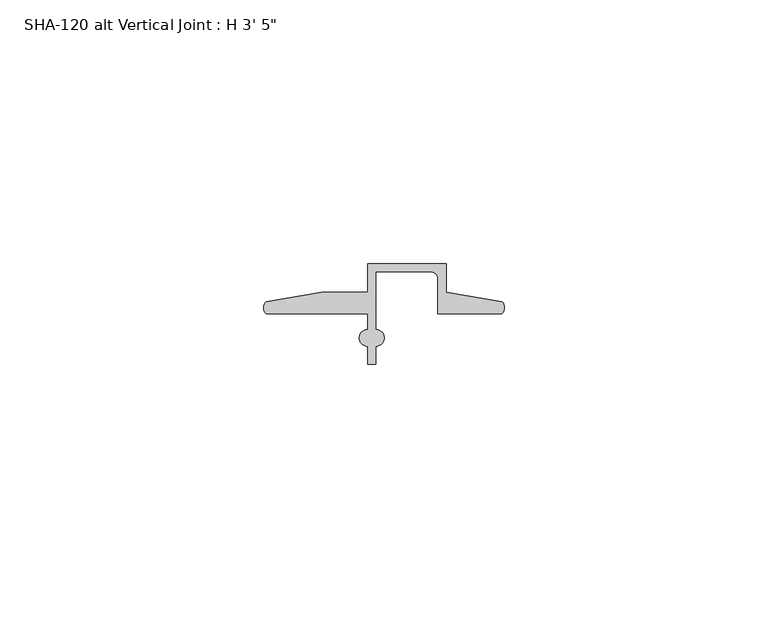
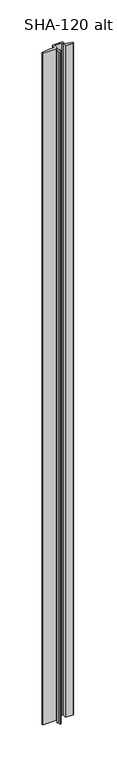
"""IFC4 building model written with IfcOpenShell, lengths in millimetres: proxy geometry."""

import ifcopenshell
import ifcopenshell.guid

model = None  # the IFC model being written
_history = None  # IfcOwnerHistory: only IFC2X3 demands one
_inside = {}  # id of a spatial element -> (the spatial element, [elements in it])
_under = {}  # id of a project, library or spatial element -> (it, [spatial elements below it])
_declared = {}  # id of a project -> (the project, [libraries it declares])
_typed = {}  # id of a type object -> (the type object, [elements of that type])
_made_of = {}  # id of a material, layer set ... -> (it, [elements and type objects made of it])


def new_model(schema):
    """Start an empty IFC model of exactly this schema.

    Asked for "IFC4X3", IfcOpenShell would pick the latest addendum, in which some entities
    have other attributes; the version numbers below select the first issue.
    IFC2X3 requires an IfcOwnerHistory on every rooted entity: one is made here for all.
    """
    global model, _history
    if schema == "IFC4X3":
        model = ifcopenshell.file(schema_version=(4, 3, 0, 0))
    else:
        model = ifcopenshell.file(schema=schema)
    _inside.clear()
    _under.clear()
    _declared.clear()
    _typed.clear()
    _made_of.clear()
    _history = None
    if model.schema == "IFC2X3":
        org = make("IfcOrganization", Name="unknown")
        user = make(
            "IfcPersonAndOrganization",
            ThePerson=make("IfcPerson", FamilyName="unknown"),
            TheOrganization=org,
        )
        app = make(
            "IfcApplication",
            ApplicationDeveloper=org,
            Version="unknown",
            ApplicationFullName="unknown",
            ApplicationIdentifier="unknown",
        )
        _history = make(
            "IfcOwnerHistory",
            OwningUser=user,
            OwningApplication=app,
            ChangeAction="ADDED",
            CreationDate=0,
        )
    return model


def make(cls, **values):
    """One entity of the class cls with the attributes given. An attribute that is None is left unset."""
    return model.create_entity(
        cls, **{name: value for name, value in values.items() if value is not None}
    )


def rooted(cls, **values):
    """An entity with a GlobalId (a new one), such as an element, a storey or a relation."""
    return make(cls, GlobalId=ifcopenshell.guid.new(), OwnerHistory=_history, **values)


def si_unit(unit_type, name, prefix=None):
    """IfcSIUnit, for example si_unit("LENGTHUNIT", "METRE", prefix="MILLI")."""
    return make("IfcSIUnit", UnitType=unit_type, Prefix=prefix, Name=name)


def assignment(units):
    """IfcUnitAssignment: the units of a project."""
    return None if units is None else make("IfcUnitAssignment", Units=units)


def point(xyz):
    """IfcCartesianPoint."""
    return None if xyz is None else make("IfcCartesianPoint", Coordinates=xyz)


def direction(xyz):
    """IfcDirection."""
    return None if xyz is None else make("IfcDirection", DirectionRatios=xyz)


def frame(location, z_axis=None, x_axis=None):
    """IfcAxis2Placement3D, a coordinate frame: its origin and axes. An axis left out is left unset."""
    return make(
        "IfcAxis2Placement3D",
        Location=point(location),
        Axis=direction(z_axis),
        RefDirection=direction(x_axis),
    )


def frame_2d(location, x_axis=None):
    """IfcAxis2Placement2D, a coordinate frame in the plane: its origin and x axis."""
    return make(
        "IfcAxis2Placement2D", Location=point(location), RefDirection=direction(x_axis)
    )


def origin():
    """The frame at (0, 0, 0) with its axes left unset."""
    return frame((0.0, 0.0, 0.0))


def origin_with_axes():
    """The frame at (0, 0, 0) with the z axis (0, 0, 1) and the x axis (1, 0, 0) written out."""
    return frame((0.0, 0.0, 0.0), z_axis=(0.0, 0.0, 1.0), x_axis=(1.0, 0.0, 0.0))


def place(relative_to, where):
    """IfcLocalPlacement: puts the frame where relative to a parent placement (None: the world)."""
    return make(
        "IfcLocalPlacement", PlacementRelTo=relative_to, RelativePlacement=where
    )


def context(
    kind, dimensions, precision=None, world=None, true_north=None, identifier=None
):
    """IfcGeometricRepresentationContext, for example the 3D "Model" context."""
    return make(
        "IfcGeometricRepresentationContext",
        ContextIdentifier=identifier,
        ContextType=kind,
        CoordinateSpaceDimension=dimensions,
        Precision=precision,
        WorldCoordinateSystem=world,
        TrueNorth=true_north,
    )


def project(units=None, contexts=None):
    """IfcProject with its units and contexts."""
    return rooted(
        "IfcProject",
        Name="project",
        RepresentationContexts=contexts,
        UnitsInContext=assignment(units),
    )


def spatial(cls, under=None, at=None, **own):
    """A site, building, storey or space (cls), placed at a placement, below another one or the project."""
    s = rooted(cls, ObjectPlacement=at, **own)
    if under is not None:
        _under.setdefault(under.id(), (under, []))[1].append(s)
    return s


def polyline(points):
    """IfcPolyline through the points."""
    return make("IfcPolyline", Points=[point(p) for p in points])


def circle_curve(where, radius):
    """IfcCircle in the frame where."""
    return make("IfcCircle", Position=where, Radius=radius)


def trimmed(basis, trim1, trim2, sense, master):
    """IfcTrimmedCurve: the piece of a basis curve between two trims."""
    return make(
        "IfcTrimmedCurve",
        BasisCurve=basis,
        Trim1=trim1,
        Trim2=trim2,
        SenseAgreement=sense,
        MasterRepresentation=master,
    )


def segment(curve, same_sense, transition):
    """IfcCompositeCurveSegment."""
    return make(
        "IfcCompositeCurveSegment",
        Transition=transition,
        SameSense=same_sense,
        ParentCurve=curve,
    )


def composite_curve(segments, self_intersect=None):
    """IfcCompositeCurve: segments joined end to end."""
    return make("IfcCompositeCurve", Segments=segments, SelfIntersect=self_intersect)


def outline(outer, holes=None, kind="AREA"):
    """IfcArbitraryClosedProfileDef: a profile drawn as a closed curve; with holes, ...WithVoids."""
    if holes is None:
        return make("IfcArbitraryClosedProfileDef", ProfileType=kind, OuterCurve=outer)
    return make(
        "IfcArbitraryProfileDefWithVoids",
        ProfileType=kind,
        OuterCurve=outer,
        InnerCurves=holes,
    )


def extrude(swept, where, along, depth):
    """IfcExtrudedAreaSolid: the profile swept, set in the frame where, extruded along a direction by depth."""
    return make(
        "IfcExtrudedAreaSolid",
        SweptArea=swept,
        Position=where,
        ExtrudedDirection=direction(along),
        Depth=depth,
    )


def shape(context_of_items, identifier, shape_type, items):
    """IfcShapeRepresentation: the items that make up one representation, for example the "Body"."""
    return make(
        "IfcShapeRepresentation",
        ContextOfItems=context_of_items,
        RepresentationIdentifier=identifier,
        RepresentationType=shape_type,
        Items=items,
    )


def source(mapping_origin, context_of_items, identifier, shape_type, items):
    """IfcRepresentationMap: a shape defined once, which mapped items show again and again."""
    return make(
        "IfcRepresentationMap",
        MappingOrigin=mapping_origin,
        MappedRepresentation=shape(context_of_items, identifier, shape_type, items),
    )


def transform(
    local_origin,
    x_axis=None,
    y_axis=None,
    z_axis=None,
    scale=None,
    scale2=None,
    scale3=None,
    uniform=True,
):
    """IfcCartesianTransformationOperator3D, or its non-uniform kind. x_axis, y_axis, z_axis: its Axis1, 2, 3."""
    if uniform:
        return make(
            "IfcCartesianTransformationOperator3D",
            Axis1=direction(x_axis),
            Axis2=direction(y_axis),
            LocalOrigin=point(local_origin),
            Scale=scale,
            Axis3=direction(z_axis),
        )
    return make(
        "IfcCartesianTransformationOperator3DnonUniform",
        Axis1=direction(x_axis),
        Axis2=direction(y_axis),
        LocalOrigin=point(local_origin),
        Scale=scale,
        Axis3=direction(z_axis),
        Scale2=scale2,
        Scale3=scale3,
    )


def mapped(mapping_source, mapping_target):
    """IfcMappedItem: shows the shape of a source again, moved by a transform."""
    return make(
        "IfcMappedItem", MappingSource=mapping_source, MappingTarget=mapping_target
    )


def made_of(thing, what):
    """Note that an element or type object is made of a material, layer set ...; save() writes the relation."""
    if what is not None:
        _made_of.setdefault(what.id(), (what, []))[1].append(thing)
    return thing


def element(
    cls,
    number,
    at=None,
    inside=None,
    cuts=None,
    type_object=None,
    material=None,
    context=None,
    identifier="Body",
    shape_type=None,
    held_by="IfcProductDefinitionShape",
    body=None,
    shapes=None,
    **own,
):
    """One element of the class cls, such as IfcWall. Its Tag is "e" and its number.

    at: its placement. inside: the storey or other place that contains it. cuts: it is an
    opening in that element (IfcRelVoidsElement). A single representation is given by context,
    identifier, shape_type and body (its items); several are given by shapes. held_by: the class
    of the entity that holds the representations. save() writes the other relations.
    """
    e = rooted(cls, Tag="e%d" % number, ObjectPlacement=at, **own)
    if body is not None:
        shapes = [shape(context, identifier, shape_type, body)]
    if shapes is not None:
        e.Representation = make(held_by, Representations=shapes)
    if inside is not None:
        _inside.setdefault(inside.id(), (inside, []))[1].append(e)
    if cuts is not None:
        rooted(
            "IfcRelVoidsElement", RelatingBuildingElement=cuts, RelatedOpeningElement=e
        )
    if type_object is not None:
        _typed.setdefault(type_object.id(), (type_object, []))[1].append(e)
    return made_of(e, material)


def aggregate(whole, parts):
    """IfcRelAggregates: a whole, such as a stair, and the parts it consists of."""
    return rooted("IfcRelAggregates", RelatingObject=whole, RelatedObjects=parts)


def save(model, path):
    """Write the relations noted so far, then the file.

    IfcRelAggregates (storeys below a building ...), IfcRelContainedInSpatialStructure (elements
    in a storey), IfcRelDefinesByType, IfcRelAssociatesMaterial and IfcRelDeclares: one each for
    every whole, place, type object, material and project.
    """
    for whole, parts in _under.values():
        aggregate(whole, parts)
    for where, things in _inside.values():
        rooted(
            "IfcRelContainedInSpatialStructure",
            RelatedElements=things,
            RelatingStructure=where,
        )
    for kind, things in _typed.values():
        rooted("IfcRelDefinesByType", RelatedObjects=things, RelatingType=kind)
    for what, things in _made_of.values():
        rooted("IfcRelAssociatesMaterial", RelatedObjects=things, RelatingMaterial=what)
    for by, libraries in _declared.values():
        rooted("IfcRelDeclares", RelatingContext=by, RelatedDefinitions=libraries)
    model.write(path)


def proxy_65465797(model_context):
    return source(origin(), model_context, "Body", "SweptSolid", [
        extrude(outline(composite_curve([segment(trimmed(circle_curve(frame_2d((1.6155848, 11.7336765)), 1.6162393), [point((0.5248271, 10.541))], [point((0.4587433, 12.8623692))], False, "CARTESIAN"), True, "CONTINUOUS"), segment(polyline([(0.4587433, 12.8623692), (11.0348302, 14.673343), (19.7299797, 14.673343), (19.7299797, 20.0914), (34.6397797, 20.0914), (34.6397797, 14.698743), (45.2158666, 12.8877692)]), True, "CONTINUOUS"), segment(trimmed(circle_curve(frame_2d((44.0583525, 11.7590956)), 1.6167075), [point((45.2158666, 12.8877692))], [point((45.1497828, 10.5664))], False, "CARTESIAN"), True, "CONTINUOUS"), segment(polyline([(45.1497828, 10.5664), (33.0649797, 10.5664), (33.0649797, 17.2466)]), True, "CONTINUOUS"), segment(trimmed(circle_curve(frame_2d((31.7949797, 17.2466)), 1.27), [point((33.0649797, 17.2466))], [point((31.7949797, 18.5166))], True, "CARTESIAN"), True, "CONTINUOUS"), segment(polyline([(31.7949797, 18.5166), (21.3047797, 18.5166), (21.3047797, 7.5765422)]), True, "CONTINUOUS"), segment(trimmed(circle_curve(frame_2d((21.3047797, 6.0017422)), 1.5748), [point((21.3047797, 7.5765422))], [point((21.3047797, 4.4269422))], False, "CARTESIAN"), True, "CONTINUOUS"), segment(polyline([(21.3047797, 4.4269422), (21.3047797, 1.0414), (19.7299794, 1.0414), (19.7299794, 4.4269422)]), True, "CONTINUOUS"), segment(trimmed(circle_curve(frame_2d((19.7299794, 6.0017422)), 1.5748), [point((19.7299794, 4.4269422))], [point((19.7299794, 7.5765422))], False, "CARTESIAN"), True, "CONTINUOUS"), segment(polyline([(19.7299794, 7.5765422), (19.7299794, 10.541), (0.5248271, 10.541)]), True, "CONTINUOUS")], self_intersect=False)), origin_with_axes(), (0.0, 0.0, 1.0), 1041.4),
    ])


if __name__ == "__main__":
    model = new_model("IFC4")
    model_context = context("Model", 3, world=origin())
    ifc_project = project(units=[si_unit("LENGTHUNIT", "METRE", prefix="MILLI")], contexts=[model_context])
    site = spatial("IfcSite", under=ifc_project)
    building = spatial("IfcBuilding", under=site)
    placement = place(None, origin())
    proxy_shape = proxy_65465797(model_context)
    element("IfcBuildingElementProxy", 1, Name="SHA-120 alt Vertical Joint : H 3' 5\"", ObjectType="SHA-120 alt Vertical Joint : H 3' 5\"", at=placement, inside=building, context=model_context, shape_type="MappedRepresentation", body=[
        mapped(proxy_shape, transform((0.0, 0.0, 0.0), x_axis=(1.0, 0.0, 0.0), y_axis=(0.0, 1.0, 0.0), z_axis=(0.0, 0.0, 1.0))),
    ])
    save(model, "model.ifc")
